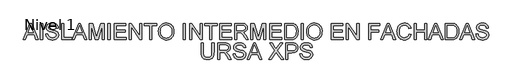
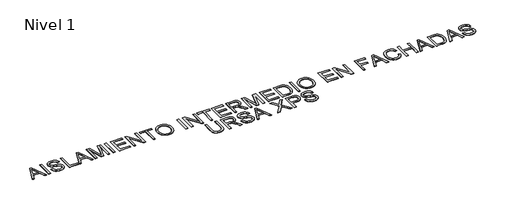
# One storey, part 2 of 8: 1 proxy.
"""IFC4 building model written with IfcOpenShell, lengths in millimetres."""

from ifc_helpers import new_model, si_unit, origin, origin_with_axes, place, context, project, spatial, polyline, outline, extrude, element, save

model = new_model("IFC4")

# Units and contexts
model_context = context("Model", 3, world=origin())
ifc_project = project(units=[si_unit("LENGTHUNIT", "METRE", prefix="MILLI")], contexts=[model_context])

# Site, building, storey
site = spatial("IfcSite", under=ifc_project)
building = spatial("IfcBuilding", under=site)
storey = spatial("IfcBuildingStorey", under=building, Name="Nivel 1", Elevation=0.0)

# Proxy
placement = place(None, origin())
element("IfcBuildingElementProxy", 1, Name="Texto de modelo 2", ObjectType="Texto de modelo 2", at=placement, inside=storey, context=model_context, shape_type="SweptSolid", body=[
    extrude(outline(polyline([(-29581.8370325, -5251.3248037), (-29180.8456578, -4246.7617022), (-29073.9146245, -4246.7617022), (-28672.9232497, -5251.3248037), (-28805.6060227, -5251.3248037), (-28920.6304598, -4937.3988345), (-29334.3750771, -4937.3988345), (-29449.1542596, -5251.3248037), (-29581.8370325, -5251.3248037)]), holes=[polyline([(-29288.2672003, -4811.8284468), (-28966.4930819, -4811.8284468), (-29056.9920527, -4564.8570007), (-29127.3801411, -4372.3320899), (-29189.9200803, -4543.2745903), (-29288.2672003, -4811.8284468)])]), origin_with_axes(), (0.0, 0.0, 1.0), 10.0),
    extrude(outline(polyline([(-28523.0726504, -5251.3248037), (-28523.0726504, -4246.7617022), (-28397.5022627, -4246.7617022), (-28397.5022627, -5251.3248037), (-28523.0726504, -5251.3248037)])), origin_with_axes(), (0.0, 0.0, 1.0), 10.0),
    extrude(outline(polyline([(-28193.4503827, -4906.0062376), (-28067.879995, -4906.0062376), (-28062.1318388, -4942.5568466), (-28053.4712835, -4975.6892188), (-28041.8983291, -5005.4033541), (-28027.4129755, -5031.6992526), (-28009.2794589, -5055.1057445), (-27986.7620151, -5076.1516603), (-27959.8606442, -5094.837), (-27928.5753462, -5111.1617635), (-27894.0557523, -5124.4131796), (-27857.4514938, -5133.8784767), (-27818.7625706, -5139.557655), (-27777.9889828, -5141.4507145), (-27708.0300901, -5135.7178867), (-27676.3155964, -5128.551852), (-27646.7777379, -5118.5194034), (-27620.1446143, -5105.9807588), (-27597.1443253, -5091.2961358), (-27577.7768711, -5074.4655345), (-27562.0422516, -5055.4889549), (-27549.8638248, -5035.1864673), (-27541.1649484, -5014.378142), (-27535.9456226, -4993.0639789), (-27534.2058473, -4971.243978), (-27539.4175089, -4929.2134601), (-27555.0524937, -4892.8851131), (-27568.2042751, -4876.7672831), (-27586.8129727, -4861.891055), (-27610.8785865, -4848.2564285), (-27640.4011166, -4835.8634038), (-27706.7118462, -4816.1510602), (-27823.2384682, -4787.9161171), (-27943.2599691, -4756.186295), (-27987.0609192, -4740.8961996), (-28020.0553356, -4725.9893146), (-28053.5862467, -4705.9857311), (-28082.564618, -4683.7441988), (-28106.9904496, -4659.2647177), (-28126.8637416, -4632.5472878), (-28142.2611359, -4603.8678206), (-28153.2592747, -4573.5022276), (-28159.858158, -4541.4505088), (-28162.0577858, -4507.7126641), (-28159.3369919, -4470.3189921), (-28151.1746101, -4434.1669219), (-28137.5706405, -4399.2564534), (-28118.525083, -4365.5875866), (-28094.2525355, -4334.5322149), (-28064.9675959, -4307.4622314), (-28030.670264, -4284.3776362), (-27991.36054, -4265.2784293), (-27948.3643318, -4250.3102306), (-27903.0075475, -4239.6186601), (-27855.290187, -4233.2037178), (-27805.2122505, -4231.0654037), (-27750.5817742, -4233.3033525), (-27699.2622358, -4240.017199), (-27651.2536355, -4251.206943), (-27606.5559731, -4266.8725846), (-27565.9969831, -4286.8761681), (-27530.4044001, -4311.0797377), (-27499.778224, -4339.4832934), (-27474.1184548, -4372.0868352), (-27453.624362, -4407.9400013), (-27438.4952149, -4446.0924299), (-27428.7310136, -4486.544121), (-27424.3317581, -4529.2950745), (-27549.9021458, -4529.2950745), (-27558.302118, -4489.2265939), (-27572.9560842, -4454.3697748), (-27593.8640442, -4424.7246174), (-27621.0259982, -4400.2911215), (-27654.9477838, -4381.1919146), (-27696.1352389, -4367.5496239), (-27744.5883633, -4359.3642496), (-27800.3071572, -4356.6357914), (-27857.8040473, -4359.3335927), (-27906.9316221, -4367.4269966), (-27947.6898815, -4380.9160031), (-27980.0788255, -4399.8006122), (-28004.757576, -4422.501997), (-28022.3852549, -4447.4413306), (-28032.9618623, -4474.618613), (-28036.4873981, -4504.0338442), (-28033.9888662, -4529.3410597), (-28026.4932706, -4552.2876992), (-28014.0006111, -4572.8737625), (-27996.5108879, -4591.0992497), (-27968.981052, -4608.3590466), (-27925.6322902, -4625.8027846), (-27866.4646027, -4643.4304635), (-27791.4779893, -4661.2420834), (-27653.0317318, -4694.903286), (-27604.3180243, -4710.1244035), (-27569.2772642, -4724.2725319), (-27530.7799463, -4745.7169866), (-27497.6935593, -4769.8285857), (-27470.0181034, -4796.6073292), (-27447.7535785, -4826.0532173), (-27430.6394015, -4858.0129656), (-27418.4149894, -4892.3332901), (-27411.0803421, -4929.0141907), (-27408.6354597, -4968.0556674), (-27411.4482241, -5007.3347346), (-27419.8865173, -5045.4641706), (-27433.9503394, -5082.4439753), (-27453.6396904, -5118.2741488), (-27478.6096808, -5151.5674693), (-27508.5154213, -5180.9367153), (-27543.356912, -5206.3818866), (-27583.1341527, -5227.9029833), (-27626.6898481, -5245.0171603), (-27672.8667027, -5257.2415725), (-27721.6647165, -5264.5762197), (-27773.0838895, -5267.0211022), (-27837.3176187, -5264.3846145), (-27896.1097601, -5256.4751516), (-27949.4603136, -5243.2927135), (-27997.3692793, -5224.8373), (-28040.127897, -5201.0782545), (-28078.0274067, -5171.9849201), (-28111.0678084, -5137.5572967), (-28139.2491021, -5097.7953844), (-28161.9504869, -5053.9867701), (-28178.5511619, -5007.4190409), (-28189.0511272, -4958.0921967), (-28193.4503827, -4906.0062376)])), origin_with_axes(), (0.0, 0.0, 1.0), 10.0),
    extrude(outline(polyline([(-27220.2798781, -5251.3248037), (-27220.2798781, -4246.7617022), (-27094.7094904, -4246.7617022), (-27094.7094904, -5125.754416), (-26592.4279397, -5125.754416), (-26592.4279397, -5251.3248037), (-27220.2798781, -5251.3248037)])), origin_with_axes(), (0.0, 0.0, 1.0), 10.0),
    extrude(outline(polyline([(-26568.147728, -5251.3248037), (-26167.1563533, -4246.7617022), (-26060.22532, -4246.7617022), (-25659.2339453, -5251.3248037), (-25791.9167182, -5251.3248037), (-25906.9411553, -4937.3988345), (-26320.6857726, -4937.3988345), (-26435.4649551, -5251.3248037), (-26568.147728, -5251.3248037)]), holes=[polyline([(-26274.5778959, -4811.8284468), (-25952.8037774, -4811.8284468), (-26043.3027482, -4564.8570007), (-26113.6908366, -4372.3320899), (-26176.2307758, -4543.2745903), (-26274.5778959, -4811.8284468)])]), origin_with_axes(), (0.0, 0.0, 1.0), 10.0),
    extrude(outline(polyline([(-25525.0796443, -5251.3248037), (-25525.0796443, -4246.7617022), (-25309.0102858, -4246.7617022), (-25103.4868779, -4954.8119156), (-25062.0388398, -5102.7004776), (-25017.1572363, -4942.5491824), (-24815.0673937, -4246.7617022), (-24598.9980352, -4246.7617022), (-24598.9980352, -5251.3248037), (-24724.5684228, -5251.3248037), (-24724.5684228, -4372.3320899), (-24976.9354715, -5251.3248037), (-25147.142208, -5251.3248037), (-25399.5092567, -4372.3320899), (-25399.5092567, -5251.3248037), (-25525.0796443, -5251.3248037)])), origin_with_axes(), (0.0, 0.0, 1.0), 10.0),
    extrude(outline(polyline([(-24363.5535582, -5251.3248037), (-24363.5535582, -4246.7617022), (-24237.9831706, -4246.7617022), (-24237.9831706, -5251.3248037), (-24363.5535582, -5251.3248037)])), origin_with_axes(), (0.0, 0.0, 1.0), 10.0),
    extrude(outline(polyline([(-23986.8423952, -5251.3248037), (-23986.8423952, -4246.7617022), (-23264.812666, -4246.7617022), (-23264.812666, -4372.3320899), (-23861.2720075, -4372.3320899), (-23861.2720075, -4670.5617606), (-23296.2052629, -4670.5617606), (-23296.2052629, -4796.1321483), (-23861.2720075, -4796.1321483), (-23861.2720075, -5125.754416), (-23249.1163675, -5125.754416), (-23249.1163675, -5251.3248037), (-23986.8423952, -5251.3248037)])), origin_with_axes(), (0.0, 0.0, 1.0), 10.0),
    extrude(outline(polyline([(-23060.760786, -5251.3248037), (-23060.760786, -4246.7617022), (-22926.3612304, -4246.7617022), (-22401.5162506, -5042.6130851), (-22401.5162506, -4246.7617022), (-22275.9458629, -4246.7617022), (-22275.9458629, -5251.3248037), (-22410.3454185, -5251.3248037), (-22935.1903983, -4455.2281661), (-22935.1903983, -5251.3248037), (-23060.760786, -5251.3248037)])), origin_with_axes(), (0.0, 0.0, 1.0), 10.0),
    extrude(outline(polyline([(-21805.0569091, -5251.3248037), (-21805.0569091, -4372.3320899), (-22134.6791768, -4372.3320899), (-22134.6791768, -4246.7617022), (-21349.8642538, -4246.7617022), (-21349.8642538, -4372.3320899), (-21679.4865214, -4372.3320899), (-21679.4865214, -5251.3248037), (-21805.0569091, -5251.3248037)])), origin_with_axes(), (0.0, 0.0, 1.0), 10.0),
    extrude(outline(polyline([(-21255.686463, -4762.2870048), (-21253.5941341, -4701.6822782), (-21247.3171476, -4644.4574674), (-21236.8555034, -4590.6125725), (-21222.2092014, -4540.1475934), (-21203.3782418, -4493.0625301), (-21180.3626245, -4449.3573826), (-21153.1623495, -4409.032151), (-21121.7774167, -4372.0868352), (-21087.0853782, -4339.0349372), (-21049.9637856, -4310.3899589), (-21010.412639, -4286.1519004), (-20968.4319384, -4266.3207616), (-20924.0216838, -4250.8965425), (-20877.1818752, -4239.8792432), (-20827.9125126, -4233.2688636), (-20776.2135959, -4231.0654037), (-20708.6306077, -4235.2040762), (-20644.450528, -4247.6200935), (-20583.6733567, -4268.3134557), (-20526.2990939, -4297.2841629), (-20473.9372232, -4333.6584951), (-20428.1972285, -4376.5627328), (-20389.0791097, -4425.9968759), (-20356.5828668, -4481.9609244), (-20331.0457249, -4543.1826198), (-20312.8049094, -4608.3897035), (-20301.86042, -4677.5821754), (-20298.2122569, -4750.7600356), (-20302.0520252, -4824.903586), (-20313.5713302, -4895.0310914), (-20332.7701718, -4961.1425516), (-20359.6485501, -5023.2379667), (-20393.5703357, -5079.6771961), (-20433.8993994, -5128.8200993), (-20480.6357412, -5170.6666763), (-20533.7793611, -5205.216927), (-20591.2379302, -5232.2562536), (-20650.9191198, -5251.5700584), (-20712.8229296, -5263.1583412), (-20776.9493599, -5267.0211022), (-20845.7126362, -5262.7521382), (-20910.7357788, -5249.9452462), (-20972.0187879, -5228.6004263), (-21029.5616633, -5198.7176784), (-21081.8622203, -5161.454298), (-21127.418274, -5117.9675804), (-21166.2298245, -5068.2575258), (-21198.2968717, -5012.3241342), (-21223.4048179, -4952.4130184), (-21241.3390652, -4890.7697916), (-21252.0996135, -4827.3944537), (-21255.686463, -4762.2870048)]), holes=[polyline([(-21130.1160753, -4763.5132781), (-21128.5468287, -4806.3063848), (-21123.8390888, -4846.7619079), (-21115.9928556, -4884.8798476), (-21105.0081291, -4920.6602037), (-21090.8849094, -4954.1029763), (-21073.6231964, -4985.2081654), (-21053.2229902, -5013.975771), (-21029.6842906, -5040.4057931), (-21003.7773507, -5064.0881966), (-20976.2724234, -5084.6129462), (-20947.1695087, -5101.9800421), (-20916.4686066, -5116.1894841), (-20884.1697171, -5127.2412724), (-20850.2728401, -5135.1354069), (-20814.7779757, -5139.8718876), (-20777.6851239, -5141.4507145), (-20739.9139897, -5139.8565592), (-20703.855806, -5135.0740932), (-20669.5105729, -5127.1033167), (-20636.8782903, -5115.9442295), (-20605.9589582, -5101.5968317), (-20576.7525767, -5084.0611232), (-20549.2591457, -5063.3371042), (-20523.4786653, -5039.4247745), (-20500.1124104, -5012.5808851), (-20479.8616562, -4983.0621871), (-20462.7264026, -4950.8686804), (-20448.7066497, -4916.0003651), (-20437.8023975, -4878.4572411), (-20430.0136459, -4838.2393084), (-20425.3403949, -4795.346567), (-20423.7826446, -4749.7790169), (-20426.449789, -4692.3127836), (-20434.4512224, -4638.6173407), (-20447.7869447, -4588.6926883), (-20466.456956, -4542.5388263), (-20490.2543226, -4500.7612272), (-20518.9721108, -4463.9653635), (-20552.6103207, -4432.1512351), (-20591.1689524, -4405.3188421), (-20633.4523892, -4384.0200074), (-20678.2650147, -4368.8065541), (-20725.606829, -4359.6784821), (-20775.477832, -4356.6357914), (-20845.5440236, -4362.4989107), (-20910.5518378, -4380.0882686), (-20941.1588534, -4393.280287), (-20970.5012746, -4409.4038651), (-21025.392334, -4450.4457002), (-21049.9369609, -4475.8582986), (-21071.2089708, -4505.1911396), (-21089.2083639, -4538.4442231), (-21103.93514, -4575.6175491), (-21115.3892992, -4616.7111175), (-21123.5708415, -4661.7249285), (-21128.4797668, -4710.6589821), (-21130.1160753, -4763.5132781)])]), origin_with_axes(), (0.0, 0.0, 1.0), 10.0),
    extrude(outline(polyline([(-19717.4492138, -5251.3248037), (-19717.4492138, -4246.7617022), (-19591.8788261, -4246.7617022), (-19591.8788261, -5251.3248037), (-19717.4492138, -5251.3248037)])), origin_with_axes(), (0.0, 0.0, 1.0), 10.0),
    extrude(outline(polyline([(-19340.7380508, -5251.3248037), (-19340.7380508, -4246.7617022), (-19206.3384952, -4246.7617022), (-18681.4935154, -5042.6130851), (-18681.4935154, -4246.7617022), (-18555.9231277, -4246.7617022), (-18555.9231277, -5251.3248037), (-18690.3226833, -5251.3248037), (-19215.1676631, -4455.2281661), (-19215.1676631, -5251.3248037), (-19340.7380508, -5251.3248037)])), origin_with_axes(), (0.0, 0.0, 1.0), 10.0),
    extrude(outline(polyline([(-18085.0341739, -5251.3248037), (-18085.0341739, -4372.3320899), (-18414.6564416, -4372.3320899), (-18414.6564416, -4246.7617022), (-17629.8415185, -4246.7617022), (-17629.8415185, -4372.3320899), (-17959.4637862, -4372.3320899), (-17959.4637862, -5251.3248037), (-18085.0341739, -5251.3248037)])), origin_with_axes(), (0.0, 0.0, 1.0), 10.0),
    extrude(outline(polyline([(-17488.5748324, -5251.3248037), (-17488.5748324, -4246.7617022), (-16766.5451032, -4246.7617022), (-16766.5451032, -4372.3320899), (-17363.0044447, -4372.3320899), (-17363.0044447, -4670.5617606), (-16797.9377001, -4670.5617606), (-16797.9377001, -4796.1321483), (-17363.0044447, -4796.1321483), (-17363.0044447, -5125.754416), (-16750.8488047, -5125.754416), (-16750.8488047, -5251.3248037), (-17488.5748324, -5251.3248037)])), origin_with_axes(), (0.0, 0.0, 1.0), 10.0),
    extrude(outline(polyline([(-16562.4932232, -5251.3248037), (-16562.4932232, -4246.7617022), (-16129.6187422, -4246.7617022), (-16067.4850061, -4248.4554922), (-16013.2760612, -4253.5368623), (-15966.9919077, -4262.0058124), (-15928.6325455, -4273.8623425), (-15895.96769, -4290.0184935), (-15866.7670566, -4311.386306), (-15841.0306454, -4337.9657802), (-15818.7584563, -4369.7569159), (-15800.785888, -4405.0505948), (-15787.9483392, -4442.1376985), (-15780.2458099, -4481.0182268), (-15777.6783001, -4521.6921799), (-15781.9319357, -4573.2876298), (-15794.6928424, -4620.6524366), (-15815.9610203, -4663.7866006), (-15845.7364693, -4702.6901216), (-15884.4023998, -4736.1213979), (-15932.3420223, -4762.8388278), (-15989.5553367, -4782.8424113), (-16056.0423432, -4796.1321483), (-16014.6556187, -4823.171475), (-15984.6732361, -4849.8429196), (-15933.2310704, -4910.8500172), (-15882.8925508, -4979.0921273), (-15715.3836156, -5251.3248037), (-15861.3101404, -5251.3248037), (-15992.030876, -5043.1035944), (-16044.331433, -4963.6410835), (-16086.4539214, -4905.2704736), (-16121.5559951, -4865.0793656), (-16152.7953079, -4840.1553604), (-16182.3791517, -4825.5320511), (-16212.5148184, -4816.2430307), (-16285.3554535, -4811.8284468), (-16436.9228355, -4811.8284468), (-16436.9228355, -5251.3248037), (-16562.4932232, -5251.3248037)]), holes=[polyline([(-16436.9228355, -4686.2580591), (-16155.8609912, -4686.2580591), (-16075.1415501, -4681.8128183), (-16012.5096404, -4668.477096), (-15987.3250521, -4658.2530422), (-15965.3594314, -4645.361844), (-15946.612778, -4629.8035013), (-15931.0850921, -4611.5780141), (-15918.9066653, -4591.5820948), (-15910.2077889, -4570.7124558), (-15904.9884631, -4548.969097), (-15903.2486878, -4526.3520185), (-15906.56729, -4494.238986), (-15916.5230965, -4465.0996663), (-15933.1161073, -4438.9340594), (-15956.3463225, -4415.7421653), (-15986.7502365, -4396.7502573), (-16024.8643441, -4383.1846087), (-16070.6886451, -4375.0452196), (-16124.2231396, -4372.3320899), (-16436.9228355, -4372.3320899), (-16436.9228355, -4686.2580591)])]), origin_with_axes(), (0.0, 0.0, 1.0), 10.0),
    extrude(outline(polyline([(-15557.9301217, -5251.3248037), (-15557.9301217, -4246.7617022), (-15341.8607632, -4246.7617022), (-15136.3373552, -4954.8119156), (-15094.8893171, -5102.7004776), (-15050.0077137, -4942.5491824), (-14847.917871, -4246.7617022), (-14631.8485125, -4246.7617022), (-14631.8485125, -5251.3248037), (-14757.4189002, -5251.3248037), (-14757.4189002, -4372.3320899), (-15009.7859489, -5251.3248037), (-15179.9926853, -5251.3248037), (-15432.359734, -4372.3320899), (-15432.359734, -5251.3248037), (-15557.9301217, -5251.3248037)])), origin_with_axes(), (0.0, 0.0, 1.0), 10.0),
    extrude(outline(polyline([(-14412.100334, -5251.3248037), (-14412.100334, -4246.7617022), (-13690.0706048, -4246.7617022), (-13690.0706048, -4372.3320899), (-14286.5299464, -4372.3320899), (-14286.5299464, -4670.5617606), (-13721.4632018, -4670.5617606), (-13721.4632018, -4796.1321483), (-14286.5299464, -4796.1321483), (-14286.5299464, -5125.754416), (-13674.3743064, -5125.754416), (-13674.3743064, -5251.3248037), (-14412.100334, -5251.3248037)])), origin_with_axes(), (0.0, 0.0, 1.0), 10.0),
    extrude(outline(polyline([(-13486.0187249, -5251.3248037), (-13486.0187249, -4246.7617022), (-13139.4738854, -4246.7617022), (-13035.9151038, -4250.3792085), (-12960.1927264, -4261.2317273), (-12918.5914041, -4273.1725638), (-12880.1170788, -4289.1294453), (-12844.7697504, -4309.102372), (-12812.549419, -4333.0913437), (-12775.3166954, -4369.0211519), (-12743.0810356, -4409.6107987), (-12715.8424395, -4454.8602841), (-12693.6009072, -4504.7696081), (-12676.3257819, -4558.8789183), (-12663.9864066, -4616.728362), (-12656.5827815, -4678.3179394), (-12654.1149064, -4743.6476504), (-12655.7857038, -4799.174839), (-12660.798096, -4851.4677318), (-12669.152083, -4900.5263287), (-12680.8476647, -4946.3506297), (-12711.3818703, -5027.1313845), (-12729.5000586, -5061.7965983), (-12749.5189705, -5092.6450364), (-12793.4195553, -5144.3631136), (-12841.2442146, -5183.7571439), (-12896.1506024, -5212.9731057), (-12961.2963724, -5234.1569773), (-13036.8041519, -5247.0328471), (-13122.7965683, -5251.3248037), (-13486.0187249, -5251.3248037)]), holes=[polyline([(-13360.4483372, -5125.754416), (-13138.2476121, -5125.754416), (-13046.338427, -5121.2172047), (-13008.7071645, -5115.5456906), (-12976.6247889, -5107.6055709), (-12924.0176636, -5085.7165922), (-12902.2206553, -5071.9670026), (-12883.4280168, -5056.3473463), (-12860.2591153, -5031.1704222), (-12839.8033435, -5001.9927815), (-12822.0607014, -4968.814424), (-12807.0311891, -4931.6353499), (-12795.06736, -4890.378917), (-12786.5217679, -4844.9684832), (-12781.3944126, -4795.4040485), (-12779.6852941, -4741.685613), (-12783.0345531, -4668.7836643), (-12793.0823301, -4604.8335108), (-12809.8286251, -4549.8351526), (-12833.2734381, -4503.7885895), (-12861.5160454, -4465.6514893), (-12892.6557235, -4434.3815197), (-12926.6924722, -4409.9786807), (-12963.6262917, -4392.4429723), (-12995.5400548, -4383.6444612), (-13035.8537901, -4377.3598105), (-13141.6811774, -4372.3320899), (-13360.4483372, -4372.3320899), (-13360.4483372, -5125.754416)])]), origin_with_axes(), (0.0, 0.0, 1.0), 10.0),
    extrude(outline(polyline([(-12465.7593249, -5251.3248037), (-12465.7593249, -4246.7617022), (-12340.1889372, -4246.7617022), (-12340.1889372, -5251.3248037), (-12465.7593249, -5251.3248037)])), origin_with_axes(), (0.0, 0.0, 1.0), 10.0),
    extrude(outline(polyline([(-12136.1370572, -4762.2870048), (-12134.0447284, -4701.6822782), (-12127.7677418, -4644.4574674), (-12117.3060976, -4590.6125725), (-12102.6597957, -4540.1475934), (-12083.828836, -4493.0625301), (-12060.8132187, -4449.3573826), (-12033.6129437, -4409.032151), (-12002.228011, -4372.0868352), (-11967.5359724, -4339.0349372), (-11930.4143798, -4310.3899589), (-11890.8632332, -4286.1519004), (-11848.8825327, -4266.3207616), (-11804.472278, -4250.8965425), (-11757.6324694, -4239.8792432), (-11708.3631068, -4233.2688636), (-11656.6641902, -4231.0654037), (-11589.081202, -4235.2040762), (-11524.9011222, -4247.6200935), (-11464.1239509, -4268.3134557), (-11406.7496881, -4297.2841629), (-11354.3878175, -4333.6584951), (-11308.6478227, -4376.5627328), (-11269.5297039, -4425.9968759), (-11237.033461, -4481.9609244), (-11211.4963192, -4543.1826198), (-11193.2555036, -4608.3897035), (-11182.3110142, -4677.5821754), (-11178.6628511, -4750.7600356), (-11182.5026194, -4824.903586), (-11194.0219244, -4895.0310914), (-11213.220766, -4961.1425516), (-11240.0991443, -5023.2379667), (-11274.0209299, -5079.6771961), (-11314.3499937, -5128.8200993), (-11361.0863355, -5170.6666763), (-11414.2299554, -5205.216927), (-11471.6885245, -5232.2562536), (-11531.369714, -5251.5700584), (-11593.2735239, -5263.1583412), (-11657.3999542, -5267.0211022), (-11726.1632304, -5262.7521382), (-11791.1863731, -5249.9452462), (-11852.4693821, -5228.6004263), (-11910.0122575, -5198.7176784), (-11962.3128145, -5161.454298), (-12007.8688682, -5117.9675804), (-12046.6804187, -5068.2575258), (-12078.747466, -5012.3241342), (-12103.8554121, -4952.4130184), (-12121.7896594, -4890.7697916), (-12132.5502078, -4827.3944537), (-12136.1370572, -4762.2870048)]), holes=[polyline([(-12010.5666695, -4763.5132781), (-12008.9974229, -4806.3063848), (-12004.289683, -4846.7619079), (-11996.4434498, -4884.8798476), (-11985.4587234, -4920.6602037), (-11971.3355036, -4954.1029763), (-11954.0737906, -4985.2081654), (-11933.6735844, -5013.975771), (-11910.1348849, -5040.4057931), (-11884.227945, -5064.0881966), (-11856.7230177, -5084.6129462), (-11827.620103, -5101.9800421), (-11796.9192008, -5116.1894841), (-11764.6203113, -5127.2412724), (-11730.7234343, -5135.1354069), (-11695.2285699, -5139.8718876), (-11658.1357182, -5141.4507145), (-11620.3645839, -5139.8565592), (-11584.3064002, -5135.0740932), (-11549.9611671, -5127.1033167), (-11517.3288845, -5115.9442295), (-11486.4095524, -5101.5968317), (-11457.2031709, -5084.0611232), (-11429.7097399, -5063.3371042), (-11403.9292595, -5039.4247745), (-11380.5630046, -5012.5808851), (-11360.3122504, -4983.0621871), (-11343.1769969, -4950.8686804), (-11329.157244, -4916.0003651), (-11318.2529917, -4878.4572411), (-11310.4642401, -4838.2393084), (-11305.7909891, -4795.346567), (-11304.2332388, -4749.7790169), (-11306.9003833, -4692.3127836), (-11314.9018167, -4638.6173407), (-11328.237539, -4588.6926883), (-11346.9075502, -4542.5388263), (-11370.7049168, -4500.7612272), (-11399.422705, -4463.9653635), (-11433.060915, -4432.1512351), (-11471.6195466, -4405.3188421), (-11513.9029834, -4384.0200074), (-11558.715609, -4368.8065541), (-11606.0574232, -4359.6784821), (-11655.9284262, -4356.6357914), (-11725.9946178, -4362.4989107), (-11791.0024321, -4380.0882686), (-11821.6094477, -4393.280287), (-11850.9518689, -4409.4038651), (-11905.8429282, -4450.4457002), (-11930.3875551, -4475.8582986), (-11951.6595651, -4505.1911396), (-11969.6589581, -4538.4442231), (-11984.3857342, -4575.6175491), (-11995.8398934, -4616.7111175), (-12004.0214357, -4661.7249285), (-12008.9303611, -4710.6589821), (-12010.5666695, -4763.5132781)])]), origin_with_axes(), (0.0, 0.0, 1.0), 10.0),
    extrude(outline(polyline([(-10613.5961065, -5251.3248037), (-10613.5961065, -4246.7617022), (-9891.5663773, -4246.7617022), (-9891.5663773, -4372.3320899), (-10488.0257188, -4372.3320899), (-10488.0257188, -4670.5617606), (-9922.9589742, -4670.5617606), (-9922.9589742, -4796.1321483), (-10488.0257188, -4796.1321483), (-10488.0257188, -5125.754416), (-9875.8700789, -5125.754416), (-9875.8700789, -5251.3248037), (-10613.5961065, -5251.3248037)])), origin_with_axes(), (0.0, 0.0, 1.0), 10.0),
    extrude(outline(polyline([(-9687.5144973, -5251.3248037), (-9687.5144973, -4246.7617022), (-9553.1149418, -4246.7617022), (-9028.269962, -5042.6130851), (-9028.269962, -4246.7617022), (-8902.6995743, -4246.7617022), (-8902.6995743, -5251.3248037), (-9037.0991299, -5251.3248037), (-9561.9441096, -4455.2281661), (-9561.9441096, -5251.3248037), (-9687.5144973, -5251.3248037)])), origin_with_axes(), (0.0, 0.0, 1.0), 10.0),
    extrude(outline(polyline([(-8290.5439343, -5251.3248037), (-8290.5439343, -4246.7617022), (-7615.6031005, -4246.7617022), (-7615.6031005, -4372.3320899), (-8164.9735466, -4372.3320899), (-8164.9735466, -4670.5617606), (-7694.0845928, -4670.5617606), (-7694.0845928, -4796.1321483), (-8164.9735466, -4796.1321483), (-8164.9735466, -5251.3248037), (-8290.5439343, -5251.3248037)])), origin_with_axes(), (0.0, 0.0, 1.0), 10.0),
    extrude(outline(polyline([(-7559.9302919, -5251.3248037), (-7158.9389171, -4246.7617022), (-7052.0078839, -4246.7617022), (-6651.0165091, -5251.3248037), (-6783.6992821, -5251.3248037), (-6898.7237192, -4937.3988345), (-7312.4683365, -4937.3988345), (-7427.247519, -5251.3248037), (-7559.9302919, -5251.3248037)]), holes=[polyline([(-7266.3604597, -4811.8284468), (-6944.5863413, -4811.8284468), (-7035.0853121, -4564.8570007), (-7105.4734005, -4372.3320899), (-7168.0133397, -4543.2745903), (-7266.3604597, -4811.8284468)])]), origin_with_axes(), (0.0, 0.0, 1.0), 10.0),
    extrude(outline(polyline([(-5810.5287775, -4894.2340137), (-5684.9583898, -4926.6076293), (-5709.8057529, -5004.698247), (-5742.899804, -5072.9326929), (-5784.2405432, -5131.310967), (-5808.0034209, -5156.8040396), (-5833.8279705, -5179.8330693), (-5890.5431114, -5217.9778337), (-5953.2669916, -5245.2240939), (-6021.999611, -5261.5718501), (-6096.7409697, -5267.0211022), (-6173.3140742, -5262.8977581), (-6242.391583, -5250.527726), (-6303.9734961, -5229.9110059), (-6358.0598136, -5201.0475977), (-6405.3939637, -5164.3666971), (-6446.7193745, -5120.2974997), (-6482.036046, -5068.8400057), (-6511.3439783, -5009.9942149), (-6534.3595956, -4946.3046444), (-6550.7993223, -4880.3158116), (-6560.6631583, -4812.0277162), (-6563.9511036, -4741.4403584), (-6560.2339626, -4665.7026526), (-6549.0825396, -4594.9620106), (-6530.4968347, -4529.2184324), (-6504.4768477, -4468.471918), (-6471.6050586, -4413.7264786), (-6432.4639472, -4365.9861255), (-6387.0535134, -4325.2508587), (-6335.3737573, -4291.5206783), (-6279.1797825, -4265.0714957), (-6220.2266928, -4246.1792224), (-6158.5144881, -4234.8438584), (-6094.0431684, -4231.0654037), (-6022.2218731, -4235.9551686), (-5956.3633317, -4250.6244631), (-5896.4675444, -4275.0732874), (-5842.5345111, -4309.3016414), (-5795.4532799, -4352.4051485), (-5756.112899, -4403.4794321), (-5724.5133685, -4462.5244924), (-5700.6546883, -4529.5403292), (-5826.2250759, -4559.4613981), (-5845.9987332, -4510.0809045), (-5869.7577787, -4467.8894381), (-5897.5022125, -4432.8869991), (-5929.2320346, -4405.0735875), (-5965.131186, -4383.8820517), (-6005.3836076, -4368.7452404), (-6049.9892995, -4359.6631537), (-6098.9482617, -4356.6357914), (-6155.2801922, -4359.9927146), (-6206.799, -4370.0634842), (-6253.5046849, -4386.8481003), (-6295.3972471, -4410.3465627), (-6331.9478562, -4439.5012108), (-6362.6276817, -4473.2543839), (-6387.4367238, -4511.6060819), (-6406.3749823, -4554.5563048), (-6420.3774908, -4600.1583438), (-6430.3792825, -4646.46549), (-6436.3803576, -4693.4777433), (-6438.3807159, -4741.1951037), (-6436.0124756, -4801.1598689), (-6428.9077545, -4857.2005595), (-6417.0665528, -4909.3171755), (-6400.4888704, -4957.5097169), (-6378.90646, -5000.8201576), (-6352.0510744, -5038.2904717), (-6319.9227135, -5069.920659), (-6282.5213773, -5095.7107197), (-6241.6634832, -5115.7219674), (-6199.1654486, -5130.0157158), (-6155.0272733, -5138.5919648), (-6109.2489576, -5141.4507145), (-6054.6568023, -5137.5572967), (-6004.4332458, -5125.8770433), (-5958.5782879, -5106.4099544), (-5917.0919288, -5079.15603), (-5880.9551869, -5044.2378972), (-5851.1490811, -5001.7781836), (-5827.6736113, -4951.7768891), (-5810.5287775, -4894.2340137)])), origin_with_axes(), (0.0, 0.0, 1.0), 10.0),
    extrude(outline(polyline([(-5512.2991067, -5251.3248037), (-5512.2991067, -4246.7617022), (-5386.728719, -4246.7617022), (-5386.728719, -4654.8654622), (-4853.0545714, -4654.8654622), (-4853.0545714, -4246.7617022), (-4727.4841837, -4246.7617022), (-4727.4841837, -5251.3248037), (-4853.0545714, -5251.3248037), (-4853.0545714, -4780.4358499), (-5386.728719, -4780.4358499), (-5386.728719, -5251.3248037), (-5512.2991067, -5251.3248037)])), origin_with_axes(), (0.0, 0.0, 1.0), 10.0),
    extrude(outline(polyline([(-4624.7224797, -5251.3248037), (-4223.731105, -4246.7617022), (-4116.8000717, -4246.7617022), (-3715.808697, -5251.3248037), (-3848.4914699, -5251.3248037), (-3963.515907, -4937.3988345), (-4377.2605243, -4937.3988345), (-4492.0397068, -5251.3248037), (-4624.7224797, -5251.3248037)]), holes=[polyline([(-4331.1526475, -4811.8284468), (-4009.3785291, -4811.8284468), (-4099.8774999, -4564.8570007), (-4170.2655883, -4372.3320899), (-4232.8055275, -4543.2745903), (-4331.1526475, -4811.8284468)])]), origin_with_axes(), (0.0, 0.0, 1.0), 10.0),
    extrude(outline(polyline([(-3581.654396, -5251.3248037), (-3581.654396, -4246.7617022), (-3235.1095566, -4246.7617022), (-3131.5507749, -4250.3792085), (-3055.8283976, -4261.2317273), (-3014.2270753, -4273.1725638), (-2975.75275, -4289.1294453), (-2940.4054216, -4309.102372), (-2908.1850902, -4333.0913437), (-2870.9523666, -4369.0211519), (-2838.7167068, -4409.6107987), (-2811.4781107, -4454.8602841), (-2789.2365784, -4504.7696081), (-2771.9614531, -4558.8789183), (-2759.6220778, -4616.728362), (-2752.2184527, -4678.3179394), (-2749.7505776, -4743.6476504), (-2751.421375, -4799.174839), (-2756.4337672, -4851.4677318), (-2764.7877542, -4900.5263287), (-2776.4833359, -4946.3506297), (-2807.0175415, -5027.1313845), (-2825.1357298, -5061.7965983), (-2845.1546417, -5092.6450364), (-2889.0552265, -5144.3631136), (-2936.8798858, -5183.7571439), (-2991.7862736, -5212.9731057), (-3056.9320436, -5234.1569773), (-3132.4398231, -5247.0328471), (-3218.4322395, -5251.3248037), (-3581.654396, -5251.3248037)]), holes=[polyline([(-3456.0840084, -5125.754416), (-3233.8832833, -5125.754416), (-3141.9740981, -5121.2172047), (-3104.3428357, -5115.5456906), (-3072.2604601, -5107.6055709), (-3019.6533347, -5085.7165922), (-2997.8563265, -5071.9670026), (-2979.0636879, -5056.3473463), (-2955.8947865, -5031.1704222), (-2935.4390147, -5001.9927815), (-2917.6963726, -4968.814424), (-2902.6668603, -4931.6353499), (-2890.7030312, -4890.378917), (-2882.157439, -4844.9684832), (-2877.0300837, -4795.4040485), (-2875.3209653, -4741.685613), (-2878.6702243, -4668.7836643), (-2888.7180013, -4604.8335108), (-2905.4642963, -4549.8351526), (-2928.9091093, -4503.7885895), (-2957.1517166, -4465.6514893), (-2988.2913947, -4434.3815197), (-3022.3281434, -4409.9786807), (-3059.2619629, -4392.4429723), (-3091.175726, -4383.6444612), (-3131.4894613, -4377.3598105), (-3237.3168486, -4372.3320899), (-3456.0840084, -4372.3320899), (-3456.0840084, -5125.754416)])]), origin_with_axes(), (0.0, 0.0, 1.0), 10.0),
    extrude(outline(polyline([(-2694.077769, -5251.3248037), (-2293.0863943, -4246.7617022), (-2186.155361, -4246.7617022), (-1785.1639863, -5251.3248037), (-1917.8467592, -5251.3248037), (-2032.8711963, -4937.3988345), (-2446.6158136, -4937.3988345), (-2561.3949961, -5251.3248037), (-2694.077769, -5251.3248037)]), holes=[polyline([(-2400.5079369, -4811.8284468), (-2078.7338184, -4811.8284468), (-2169.2327892, -4564.8570007), (-2239.6208776, -4372.3320899), (-2302.1608168, -4543.2745903), (-2400.5079369, -4811.8284468)])]), origin_with_axes(), (0.0, 0.0, 1.0), 10.0),
    extrude(outline(polyline([(-1698.0985807, -4906.0062376), (-1572.5281931, -4906.0062376), (-1566.7800369, -4942.5568466), (-1558.1194816, -4975.6892188), (-1546.5465271, -5005.4033541), (-1532.0611736, -5031.6992526), (-1513.9276569, -5055.1057445), (-1491.4102131, -5076.1516603), (-1464.5088422, -5094.837), (-1433.2235442, -5111.1617635), (-1398.7039503, -5124.4131796), (-1362.0996918, -5133.8784767), (-1323.4107687, -5139.557655), (-1282.6371809, -5141.4507145), (-1212.6782881, -5135.7178867), (-1180.9637944, -5128.551852), (-1151.4259359, -5118.5194034), (-1124.7928123, -5105.9807588), (-1101.7925234, -5091.2961358), (-1082.4250692, -5074.4655345), (-1066.6904497, -5055.4889549), (-1054.5120228, -5035.1864673), (-1045.8131465, -5014.378142), (-1040.5938206, -4993.0639789), (-1038.8540454, -4971.243978), (-1044.065707, -4929.2134601), (-1059.7006918, -4892.8851131), (-1072.8524731, -4876.7672831), (-1091.4611707, -4861.891055), (-1115.5267845, -4848.2564285), (-1145.0493147, -4835.8634038), (-1211.3600443, -4816.1510602), (-1327.8866663, -4787.9161171), (-1447.9081672, -4756.186295), (-1491.7091172, -4740.8961996), (-1524.7035337, -4725.9893146), (-1558.2344447, -4705.9857311), (-1587.212816, -4683.7441988), (-1611.6386477, -4659.2647177), (-1631.5119396, -4632.5472878), (-1646.909334, -4603.8678206), (-1657.9074728, -4573.5022276), (-1664.5063561, -4541.4505088), (-1666.7059838, -4507.7126641), (-1663.9851899, -4470.3189921), (-1655.8228081, -4434.1669219), (-1642.2188385, -4399.2564534), (-1623.1732811, -4365.5875866), (-1598.9007336, -4334.5322149), (-1569.6157939, -4307.4622314), (-1535.3184621, -4284.3776362), (-1496.0087381, -4265.2784293), (-1453.0125299, -4250.3102306), (-1407.6557455, -4239.6186601), (-1359.9383851, -4233.2037178), (-1309.8604485, -4231.0654037), (-1255.2299722, -4233.3033525), (-1203.9104339, -4240.017199), (-1155.9018335, -4251.206943), (-1111.2041711, -4266.8725846), (-1070.6451811, -4286.8761681), (-1035.0525981, -4311.0797377), (-1004.426422, -4339.4832934), (-978.7666528, -4372.0868352), (-958.27256, -4407.9400013), (-943.143413, -4446.0924299), (-933.3792117, -4486.544121), (-928.9799562, -4529.2950745), (-1054.5503438, -4529.2950745), (-1062.9503161, -4489.2265939), (-1077.6042822, -4454.3697748), (-1098.5122423, -4424.7246174), (-1125.6741962, -4400.2911215), (-1159.5959819, -4381.1919146), (-1200.7834369, -4367.5496239), (-1249.2365614, -4359.3642496), (-1304.9553552, -4356.6357914), (-1362.4522454, -4359.3335927), (-1411.5798202, -4367.4269966), (-1452.3380795, -4380.9160031), (-1484.7270235, -4399.8006122), (-1509.405774, -4422.501997), (-1527.033453, -4447.4413306), (-1537.6100603, -4474.618613), (-1541.1355961, -4504.0338442), (-1538.6370642, -4529.3410597), (-1531.1414686, -4552.2876992), (-1518.6488092, -4572.8737625), (-1501.159086, -4591.0992497), (-1473.62925, -4608.3590466), (-1430.2804882, -4625.8027846), (-1371.1128007, -4643.4304635), (-1296.1261873, -4661.2420834), (-1157.6799298, -4694.903286), (-1108.9662223, -4710.1244035), (-1073.9254623, -4724.2725319), (-1035.4281443, -4745.7169866), (-1002.3417574, -4769.8285857), (-974.6663014, -4796.6073292), (-952.4017765, -4826.0532173), (-935.2875995, -4858.0129656), (-923.0631874, -4892.3332901), (-915.7285401, -4929.0141907), (-913.2836577, -4968.0556674), (-916.0964221, -5007.3347346), (-924.5347154, -5045.4641706), (-938.5985375, -5082.4439753), (-958.2878884, -5118.2741488), (-983.2578789, -5151.5674693), (-1013.1636194, -5180.9367153), (-1048.00511, -5206.3818866), (-1087.7823507, -5227.9029833), (-1131.3380461, -5245.0171603), (-1177.5149007, -5257.2415725), (-1226.3129145, -5264.5762197), (-1277.7320876, -5267.0211022), (-1341.9658168, -5264.3846145), (-1400.7579581, -5256.4751516), (-1454.1085116, -5243.2927135), (-1502.0174773, -5224.8373), (-1544.776095, -5201.0782545), (-1582.6756048, -5171.9849201), (-1615.7160064, -5137.5572967), (-1643.8973001, -5097.7953844), (-1666.5986849, -5053.9867701), (-1683.1993599, -5007.4190409), (-1693.6993252, -4958.0921967), (-1698.0985807, -4906.0062376)])), origin_with_axes(), (0.0, 0.0, 1.0), 10.0),
    extrude(outline(polyline([(-17959.4637862, -5466.5098807), (-17833.8933985, -5466.5098807), (-17833.8933985, -6046.0466504), (-17836.0240484, -6117.8066321), (-17842.4159981, -6181.7644498), (-17853.0692475, -6237.9201035), (-17867.9837967, -6286.2735932), (-17888.4472327, -6328.6566648), (-17915.7471424, -6366.9010638), (-17949.8835259, -6401.0067905), (-17990.8563831, -6430.9738447), (-18038.7116993, -6455.3843479), (-18093.4954598, -6472.8204216), (-18155.2076645, -6483.2820659), (-18223.8483134, -6486.7692806), (-18290.7951723, -6483.7342541), (-18351.3500816, -6474.6291748), (-18405.5130411, -6459.4540425), (-18453.2840511, -6438.2088572), (-18494.6707755, -6411.2078516), (-18529.6808787, -6378.7652582), (-18558.3143607, -6340.8810769), (-18580.5712214, -6297.5553078), (-18597.2562027, -6247.3010944), (-18609.1740465, -6188.6315803), (-18616.3247528, -6121.5467657), (-18618.7083216, -6046.0466504), (-18618.7083216, -5466.5098807), (-18493.1379339, -5466.5098807), (-18493.1379339, -6041.6320664), (-18491.5897638, -6102.3402599), (-18486.9452536, -6154.4798685), (-18479.2044033, -6198.0508923), (-18468.3672129, -6233.0533313), (-18453.759232, -6262.0163742), (-18434.7060103, -6287.4692097), (-18411.2075479, -6309.4118379), (-18383.2638446, -6327.8442587), (-18351.4113952, -6342.4369112), (-18316.1866942, -6352.8602344), (-18277.5897415, -6359.1142283), (-18235.6205373, -6361.1988929), (-18166.4127369, -6357.0755489), (-18107.9041713, -6344.7055168), (-18060.0948403, -6324.0887967), (-18040.2023878, -6310.6879286), (-18022.984744, -6295.2253885), (-18008.0970195, -6276.8312887), (-17995.194325, -6254.6357417), (-17975.3440257, -6198.8403057), (-17963.4338461, -6127.8390806), (-17959.4637862, -6041.6320664), (-17959.4637862, -5466.5098807)])), origin_with_axes(), (0.0, 0.0, 1.0), 10.0),
    extrude(outline(polyline([(-17614.1452201, -6471.0729821), (-17614.1452201, -5466.5098807), (-17181.2707391, -5466.5098807), (-17119.1370029, -5468.2036707), (-17064.9280581, -5473.2850407), (-17018.6439046, -5481.7539908), (-16980.2845424, -5493.610521), (-16947.6196869, -5509.7666719), (-16918.4190535, -5531.1344845), (-16892.6826423, -5557.7139586), (-16870.4104532, -5589.5050944), (-16852.4378848, -5624.7987733), (-16839.6003361, -5661.8858769), (-16831.8978068, -5700.7664053), (-16829.330297, -5741.4403584), (-16833.5839326, -5793.0358082), (-16846.3448393, -5840.4006151), (-16867.6130171, -5883.534779), (-16897.3884661, -5922.4383), (-16936.0543967, -5955.8695763), (-16983.9940192, -5982.5870062), (-17041.2073336, -6002.5905897), (-17107.69434, -6015.8803268), (-17066.3076156, -6042.9196534), (-17036.325233, -6069.5910981), (-16984.8830673, -6130.5981956), (-16934.5445476, -6198.8403057), (-16767.0356125, -6471.0729821), (-16912.9621373, -6471.0729821), (-17043.6828729, -6262.8517729), (-17095.9834299, -6183.3892619), (-17138.1059183, -6125.018652), (-17173.207992, -6084.827544), (-17204.4473048, -6059.9035389), (-17234.0311486, -6045.2802296), (-17264.1668153, -6035.9912092), (-17337.0074504, -6031.5766252), (-17488.5748324, -6031.5766252), (-17488.5748324, -6471.0729821), (-17614.1452201, -6471.0729821)]), holes=[polyline([(-17488.5748324, -5906.0062376), (-17207.5129881, -5906.0062376), (-17126.793547, -5901.5609968), (-17064.1616373, -5888.2252745), (-17038.977049, -5878.0012207), (-17017.0114282, -5865.1100224), (-16998.2647749, -5849.5516797), (-16982.737089, -5831.3261925), (-16970.5586621, -5811.3302733), (-16961.8597858, -5790.4606342), (-16956.64046, -5768.7172755), (-16954.9006847, -5746.100197), (-16958.2192869, -5713.9871645), (-16968.1750934, -5684.8478448), (-16984.7681042, -5658.6822379), (-17007.9983193, -5635.4903438), (-17038.4022334, -5616.4984358), (-17076.5163409, -5602.9327872), (-17122.340642, -5594.7933981), (-17175.8751365, -5592.0802683), (-17488.5748324, -5592.0802683), (-17488.5748324, -5906.0062376)])]), origin_with_axes(), (0.0, 0.0, 1.0), 10.0),
    extrude(outline(polyline([(-16656.671014, -6125.754416), (-16531.1006263, -6125.754416), (-16525.3524701, -6162.3050251), (-16516.6919148, -6195.4373973), (-16505.1189604, -6225.1515326), (-16490.6336068, -6251.447431), (-16472.5000901, -6274.853923), (-16449.9826463, -6295.8998388), (-16423.0812754, -6314.5851784), (-16391.7959774, -6330.909942), (-16357.2763835, -6344.161358), (-16320.672125, -6353.6266552), (-16281.9832019, -6359.3058335), (-16241.2096141, -6361.1988929), (-16171.2507213, -6355.4660652), (-16139.5362276, -6348.3000305), (-16109.9983691, -6338.2675819), (-16083.3652455, -6325.7289372), (-16060.3649566, -6311.0443142), (-16040.9975024, -6294.213713), (-16025.2628829, -6275.2371334), (-16013.084456, -6254.9346458), (-16004.3855797, -6234.1263204), (-15999.1662539, -6212.8121573), (-15997.4264786, -6190.9921565), (-16002.6381402, -6148.9616385), (-16018.273125, -6112.6332915), (-16031.4249063, -6096.5154616), (-16050.0336039, -6081.6392334), (-16074.0992178, -6068.004607), (-16103.6217479, -6055.6115823), (-16169.9324775, -6035.8992387), (-16286.4590995, -6007.6642956), (-16406.4806004, -5975.9344735), (-16450.2815505, -5960.644378), (-16483.2759669, -5945.737493), (-16516.8068779, -5925.7339095), (-16545.7852492, -5903.4923773), (-16570.2110809, -5879.0128962), (-16590.0843728, -5852.2954663), (-16605.4817672, -5823.6159991), (-16616.479906, -5793.250406), (-16623.0787893, -5761.1986872), (-16625.278417, -5727.4608426), (-16622.5576231, -5690.0671706), (-16614.3952413, -5653.9151004), (-16600.7912717, -5619.0046319), (-16581.7457143, -5585.3357651), (-16557.4731668, -5554.2803933), (-16528.1882271, -5527.2104099), (-16493.8908953, -5504.1258147), (-16454.5811713, -5485.0266077), (-16411.5849631, -5470.0584091), (-16366.2281788, -5459.3668386), (-16318.5108183, -5452.9518963), (-16268.4328817, -5450.8135822), (-16213.8024054, -5453.051531), (-16162.4828671, -5459.7653774), (-16114.4742667, -5470.9551214), (-16069.7766043, -5486.6207631), (-16029.2176143, -5506.6243465), (-15993.6250313, -5530.8279161), (-15962.9988552, -5559.2314719), (-15937.3390861, -5591.8350137), (-15916.8449932, -5627.6881798), (-15901.7158462, -5665.8406084), (-15891.9516449, -5706.2922994), (-15887.5523894, -5749.0432529), (-16013.1227771, -5749.0432529), (-16021.5227493, -5708.9747723), (-16036.1767154, -5674.1179533), (-16057.0846755, -5644.4727958), (-16084.2466295, -5620.0393), (-16118.1684151, -5600.9400931), (-16159.3558701, -5587.2978024), (-16207.8089946, -5579.112428), (-16263.5277884, -5576.3839699), (-16321.0246786, -5579.0817712), (-16370.1522534, -5587.1751751), (-16410.9105128, -5600.6641816), (-16443.2994568, -5619.5487906), (-16467.9782073, -5642.2501754), (-16485.6058862, -5667.189509), (-16496.1824936, -5694.3667914), (-16499.7080293, -5723.7820226), (-16497.2094975, -5749.0892382), (-16489.7139018, -5772.0358776), (-16477.2212424, -5792.621941), (-16459.7315192, -5810.8474281), (-16432.2016832, -5828.1072251), (-16388.8529215, -5845.550963), (-16329.6852339, -5863.178642), (-16254.6986206, -5880.9902619), (-16116.252363, -5914.6514644), (-16067.5386555, -5929.872582), (-16032.4978955, -5944.0207104), (-15994.0005775, -5965.465165), (-15960.9141906, -5989.5767641), (-15933.2387346, -6016.3555077), (-15910.9742097, -6045.8013957), (-15893.8600327, -6077.7611441), (-15881.6356206, -6112.0814685), (-15874.3009733, -6148.7623691), (-15871.8560909, -6187.8038459), (-15874.6688553, -6227.0829131), (-15883.1071486, -6265.212349), (-15897.1709707, -6302.1921537), (-15916.8603217, -6338.0223272), (-15941.8303121, -6371.3156478), (-15971.7360526, -6400.6848937), (-16006.5775432, -6426.1300651), (-16046.354784, -6447.6511618), (-16089.9104793, -6464.7653388), (-16136.0873339, -6476.9897509), (-16184.8853478, -6484.3243982), (-16236.3045208, -6486.7692806), (-16300.53825, -6484.132793), (-16359.3303914, -6476.2233301), (-16412.6809449, -6463.0408919), (-16460.5899105, -6444.5854785), (-16503.3485283, -6420.826433), (-16541.248038, -6391.7330985), (-16574.2884397, -6357.3054751), (-16602.4697333, -6317.5435628), (-16625.1711181, -6273.7349486), (-16641.7717931, -6227.1672193), (-16652.2717584, -6177.8403752), (-16656.671014, -6125.754416)])), origin_with_axes(), (0.0, 0.0, 1.0), 10.0),
    extrude(outline(polyline([(-15800.4869838, -6471.0729821), (-15399.4956091, -5466.5098807), (-15292.5645758, -5466.5098807), (-14891.5732011, -6471.0729821), (-15024.255974, -6471.0729821), (-15139.2804112, -6157.1470129), (-15553.0250284, -6157.1470129), (-15667.8042109, -6471.0729821), (-15800.4869838, -6471.0729821)]), holes=[polyline([(-15506.9171517, -6031.5766252), (-15185.1430332, -6031.5766252), (-15275.6420041, -5784.6051791), (-15346.0300925, -5592.0802683), (-15408.5700316, -5763.0227688), (-15506.9171517, -6031.5766252)])]), origin_with_axes(), (0.0, 0.0, 1.0), 10.0),
    extrude(outline(polyline([(-14474.8855279, -6471.0729821), (-14087.6284143, -5923.6645733), (-14412.100334, -5466.5098807), (-14261.5139707, -5466.5098807), (-14078.7992464, -5723.7820226), (-14035.20523, -5788.9584494), (-14017.2403259, -5824.09118), (-13945.1354548, -5722.06524), (-13764.3827679, -5466.5098807), (-13611.5891125, -5466.5098807), (-13936.0610323, -5925.1361013), (-13548.8039187, -6471.0729821), (-13699.3902821, -6471.0729821), (-13957.398188, -6107.1150616), (-14011.1089593, -6031.5766252), (-14070.2153332, -6114.4727015), (-14322.0918726, -6471.0729821), (-14474.8855279, -6471.0729821)])), origin_with_axes(), (0.0, 0.0, 1.0), 10.0),
    extrude(outline(polyline([(-13423.233531, -6471.0729821), (-13423.233531, -5466.5098807), (-13050.9369519, -5466.5098807), (-12964.2394284, -5468.9011136), (-12900.8410979, -5476.0748125), (-12865.8999725, -5483.6087292), (-12833.9172316, -5493.9477461), (-12804.892875, -5507.0918632), (-12778.8269028, -5523.0410806), (-12755.4434035, -5542.1249591), (-12734.4664655, -5564.6730597), (-12715.896089, -5590.6853824), (-12699.7322738, -5620.1619273), (-12686.6418062, -5652.1293398), (-12677.2914721, -5685.6142656), (-12671.6812717, -5720.6167046), (-12669.8112049, -5757.1366568), (-12674.8619181, -5818.8028763), (-12690.0140578, -5875.5333456), (-12715.2676239, -5927.3280649), (-12750.6226165, -5974.187034), (-12772.8584006, -5994.9953593), (-12799.1600472, -6013.0292413), (-12829.5275563, -6028.2886799), (-12863.9609278, -6040.7736751), (-12902.4601619, -6050.484227), (-12945.0252583, -6057.4203354), (-13042.3530387, -6062.9692222), (-13297.6631433, -6062.9692222), (-13297.6631433, -6471.0729821), (-13423.233531, -6471.0729821)]), holes=[polyline([(-13297.6631433, -5937.3988345), (-13034.9953988, -5937.3988345), (-12974.6014379, -5934.5170922), (-12923.6497816, -5925.8718653), (-12882.1404298, -5911.4631538), (-12850.0733825, -5891.2909577), (-12826.1457244, -5865.8917717), (-12809.0545401, -5835.8020901), (-12798.7998294, -5801.0219132), (-12795.3815926, -5761.5512408), (-12797.3972793, -5732.2433085), (-12803.4443396, -5705.1426682), (-12813.5227735, -5680.2493198), (-12827.6325808, -5657.5632635), (-12845.0226693, -5637.8202631), (-12864.9419465, -5621.7560826), (-12887.3904124, -5609.3707221), (-12912.368067, -5600.6641816), (-12960.8058631, -5594.2262466), (-13037.9384547, -5592.0802683), (-13297.6631433, -5592.0802683), (-13297.6631433, -5937.3988345)])]), origin_with_axes(), (0.0, 0.0, 1.0), 10.0),
    extrude(outline(polyline([(-12544.2408172, -6125.754416), (-12418.6704295, -6125.754416), (-12412.9222733, -6162.3050251), (-12404.261718, -6195.4373973), (-12392.6887636, -6225.1515326), (-12378.20341, -6251.447431), (-12360.0698934, -6274.853923), (-12337.5524496, -6295.8998388), (-12310.6510787, -6314.5851784), (-12279.3657807, -6330.909942), (-12244.8461868, -6344.161358), (-12208.2419283, -6353.6266552), (-12169.5530051, -6359.3058335), (-12128.7794173, -6361.1988929), (-12058.8205246, -6355.4660652), (-12027.1060309, -6348.3000305), (-11997.5681724, -6338.2675819), (-11970.9350488, -6325.7289372), (-11947.9347599, -6311.0443142), (-11928.5673057, -6294.213713), (-11912.8326861, -6275.2371334), (-11900.6542593, -6254.9346458), (-11891.9553829, -6234.1263204), (-11886.7360571, -6212.8121573), (-11884.9962818, -6190.9921565), (-11890.2079434, -6148.9616385), (-11905.8429282, -6112.6332915), (-11918.9947096, -6096.5154616), (-11937.6034072, -6081.6392334), (-11961.669021, -6068.004607), (-11991.1915511, -6055.6115823), (-12057.5022808, -6035.8992387), (-12174.0289027, -6007.6642956), (-12294.0504037, -5975.9344735), (-12337.8513537, -5960.644378), (-12370.8457701, -5945.737493), (-12404.3766812, -5925.7339095), (-12433.3550525, -5903.4923773), (-12457.7808841, -5879.0128962), (-12477.6541761, -5852.2954663), (-12493.0515704, -5823.6159991), (-12504.0497092, -5793.250406), (-12510.6485925, -5761.1986872), (-12512.8482203, -5727.4608426), (-12510.1274264, -5690.0671706), (-12501.9650446, -5653.9151004), (-12488.361075, -5619.0046319), (-12469.3155175, -5585.3357651), (-12445.04297, -5554.2803933), (-12415.7580304, -5527.2104099), (-12381.4606985, -5504.1258147), (-12342.1509745, -5485.0266077), (-12299.1547663, -5470.0584091), (-12253.797982, -5459.3668386), (-12206.0806216, -5452.9518963), (-12156.002685, -5450.8135822), (-12101.3722087, -5453.051531), (-12050.0526703, -5459.7653774), (-12002.04407, -5470.9551214), (-11957.3464076, -5486.6207631), (-11916.7874176, -5506.6243465), (-11881.1948346, -5530.8279161), (-11850.5686585, -5559.2314719), (-11824.9088893, -5591.8350137), (-11804.4147965, -5627.6881798), (-11789.2856494, -5665.8406084), (-11779.5214481, -5706.2922994), (-11775.1221926, -5749.0432529), (-11900.6925803, -5749.0432529), (-11909.0925525, -5708.9747723), (-11923.7465187, -5674.1179533), (-11944.6544787, -5644.4727958), (-11971.8164327, -5620.0393), (-12005.7382183, -5600.9400931), (-12046.9256734, -5587.2978024), (-12095.3787978, -5579.112428), (-12151.0975917, -5576.3839699), (-12208.5944819, -5579.0817712), (-12257.7220566, -5587.1751751), (-12298.480316, -5600.6641816), (-12330.86926, -5619.5487906), (-12355.5480105, -5642.2501754), (-12373.1756894, -5667.189509), (-12383.7522968, -5694.3667914), (-12387.2778326, -5723.7820226), (-12384.7793007, -5749.0892382), (-12377.2837051, -5772.0358776), (-12364.7910456, -5792.621941), (-12347.3013225, -5810.8474281), (-12319.7714865, -5828.1072251), (-12276.4227247, -5845.550963), (-12217.2550372, -5863.178642), (-12142.2684238, -5880.9902619), (-12003.8221663, -5914.6514644), (-11955.1084588, -5929.872582), (-11920.0676987, -5944.0207104), (-11881.5703808, -5965.465165), (-11848.4839938, -5989.5767641), (-11820.8085379, -6016.3555077), (-11798.544013, -6045.8013957), (-11781.429836, -6077.7611441), (-11769.2054239, -6112.0814685), (-11761.8707766, -6148.7623691), (-11759.4258942, -6187.8038459), (-11762.2386586, -6227.0829131), (-11770.6769518, -6265.212349), (-11784.740774, -6302.1921537), (-11804.4301249, -6338.0223272), (-11829.4001153, -6371.3156478), (-11859.3058559, -6400.6848937), (-11894.1473465, -6426.1300651), (-11933.9245872, -6447.6511618), (-11977.4802826, -6464.7653388), (-12023.6571372, -6476.9897509), (-12072.455151, -6484.3243982), (-12123.874324, -6486.7692806), (-12188.1080532, -6484.132793), (-12246.9001946, -6476.2233301), (-12300.2507481, -6463.0408919), (-12348.1597138, -6444.5854785), (-12390.9183315, -6420.826433), (-12428.8178412, -6391.7330985), (-12461.8582429, -6357.3054751), (-12490.0395366, -6317.5435628), (-12512.7409214, -6273.7349486), (-12529.3415964, -6227.1672193), (-12539.8415617, -6177.8403752), (-12544.2408172, -6125.754416)])), origin_with_axes(), (0.0, 0.0, 1.0), 10.0),
])

save(model, "model.ifc")
